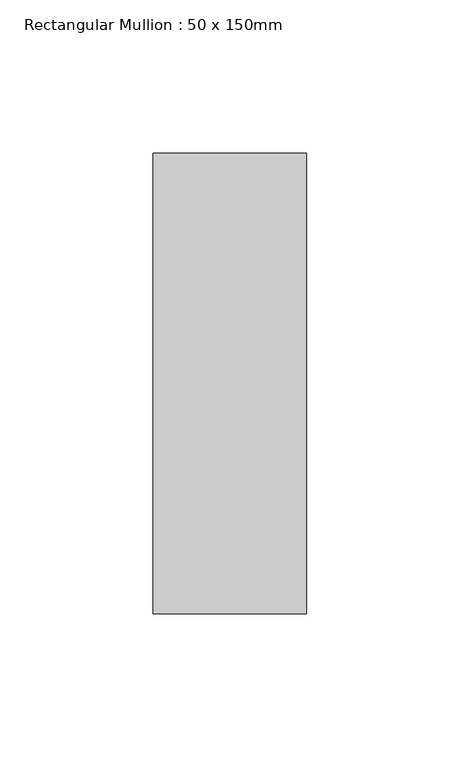
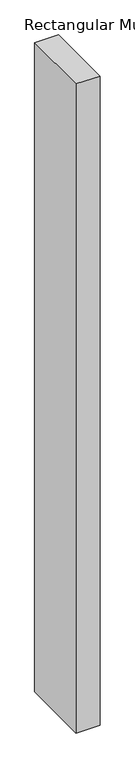
"""IFC4 building model written with IfcOpenShell, lengths in millimetres: member geometry, Rectangular Mullion : 50 x 150mm."""

from ifc_helpers import new_model, si_unit, frame, origin, place, context, project, spatial, polyline, outline, extrude, source, transform, mapped, element, save


def rectangular_mullion_50_x_150mm_f799f8cf(model_context):
    return source(origin(), model_context, "Body", "SweptSolid", [
        extrude(outline(polyline([(0.0, 75.0), (0.0, -75.0), (-50.0, -75.0), (-50.0, 75.0), (0.0, 75.0)])), frame((0.0, 0.0, -1436.6666667), z_axis=(0.0, 0.0, 1.0), x_axis=(1.0, 0.0, 0.0)), (0.0, 0.0, 1.0), 1436.6666667),
    ])


if __name__ == "__main__":
    model = new_model("IFC4")
    model_context = context("Model", 3, world=origin())
    ifc_project = project(units=[si_unit("LENGTHUNIT", "METRE", prefix="MILLI")], contexts=[model_context])
    site = spatial("IfcSite", under=ifc_project)
    building = spatial("IfcBuilding", under=site)
    placement = place(None, origin())
    rectangular_mullion_50_x_150mm_shape = rectangular_mullion_50_x_150mm_f799f8cf(model_context)
    element("IfcMember", 1, ObjectType="Rectangular Mullion : 50 x 150mm", at=placement, inside=building, context=model_context, shape_type="MappedRepresentation", body=[
        mapped(rectangular_mullion_50_x_150mm_shape, transform((0.0, 0.0, 0.0), x_axis=(1.0, 0.0, 0.0), y_axis=(0.0, 1.0, 0.0), z_axis=(0.0, 0.0, 1.0))),
    ])
    save(model, "model.ifc")
